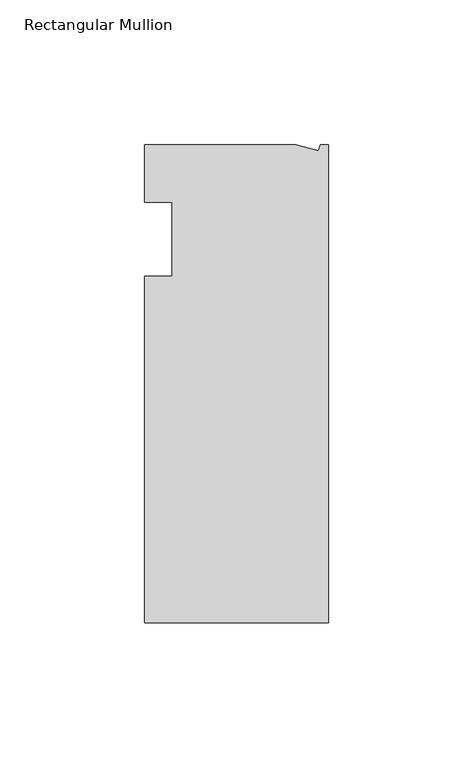
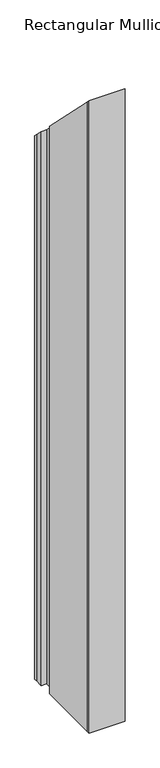
"""IFC4 building model written with IfcOpenShell, lengths in millimetres: member geometry, Rectangular Mullion."""

from ifc_helpers import new_model, si_unit, origin, place, context, project, spatial, faceted_brep, source, transform, mapped, element, save


def rectangular_mullion_b4528884(model_context):
    return source(origin(), model_context, "Body", "Brep", [
        faceted_brep([(0.0, -132.5561012, -1041.4), (-63.5, -132.5561012, -1041.4), (-63.5, -126.2061012, -1041.4), (-63.5, -12.8488281, -1041.4), (-53.975, -12.8488281, -1041.4), (-53.975, 12.7, -1041.4), (-63.5, 12.7, -1041.4), (-63.5, 26.1938988, -1041.4), (-63.5076469, 32.5438988, -1041.4), (-11.1125, 32.5438988, -1041.4), (-3.3223696, 30.4565397, -1041.4), (-2.7630634, 32.5438988, -1041.4), (0.0, 32.5438988, -1041.4), (0.0, 32.5438988, -32.5438988), (0.0, -132.5561012, 132.5561012), (-2.7630634, 32.5438988, -32.5438988), (-3.3223696, 30.4565397, -30.4565397), (-11.1125, 32.5438988, -32.5438988), (-63.5076469, 32.5438988, -32.5438988), (-63.5, 12.7, -12.7), (-63.5, 26.1938988, -26.1938988), (-53.975, 12.7, -12.7), (-53.975, -12.8488281, 12.8488281), (-63.5, -12.8488281, 12.8488281), (-63.5, -126.2061012, 126.2061012), (-63.5, -132.5561012, 132.5561012)], [[[0, 1, 2, 3, 4, 5, 6, 7, 8, 9, 10, 11, 12]], [[13, 14, 0, 12]], [[15, 13, 12, 11]], [[16, 15, 11, 10]], [[17, 16, 10, 9]], [[18, 17, 9, 8]], [[19, 20, 7, 6]], [[21, 19, 6, 5]], [[22, 21, 5, 4]], [[23, 22, 4, 3]], [[24, 23, 3, 2]], [[14, 25, 1, 0]], [[14, 13, 15, 16, 17, 18, 20, 19, 21, 22, 23, 24, 25]], [[20, 18, 8, 7]], [[25, 24, 2, 1]]]),
    ])


if __name__ == "__main__":
    model = new_model("IFC4")
    model_context = context("Model", 3, world=origin())
    ifc_project = project(units=[si_unit("LENGTHUNIT", "METRE", prefix="MILLI")], contexts=[model_context])
    site = spatial("IfcSite", under=ifc_project)
    building = spatial("IfcBuilding", under=site)
    placement = place(None, origin())
    rectangular_mullion_shape = rectangular_mullion_b4528884(model_context)
    element("IfcMember", 1, ObjectType="Rectangular Mullion", at=placement, inside=building, context=model_context, shape_type="MappedRepresentation", body=[
        mapped(rectangular_mullion_shape, transform((0.0, 0.0, 0.0), x_axis=(1.0, 0.0, 0.0), y_axis=(0.0, 1.0, 0.0), z_axis=(0.0, 0.0, 1.0))),
    ])
    save(model, "model.ifc")
